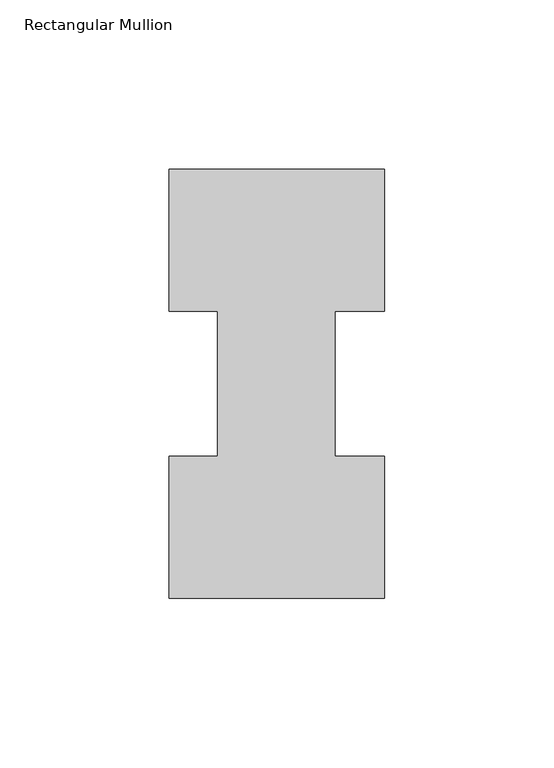
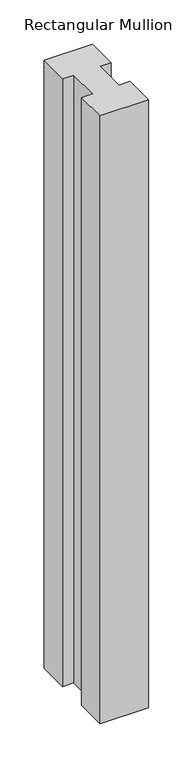
"""IFC4 building model written with IfcOpenShell, lengths in millimetres: member geometry, Rectangular Mullion."""

from ifc_helpers import new_model, si_unit, frame, origin, place, context, project, spatial, polyline, outline, extrude, source, transform, mapped, element, save


def rectangular_mullion_e0098903(model_context):
    return source(origin(), model_context, "Body", "SweptSolid", [
        extrude(outline(polyline([(-63.5, -0.0373062), (-63.5, 41.7837937), (-49.2125, 41.7837937), (-49.2125, 84.6335938), (-63.5, 84.6335938), (-63.5, 126.4546937), (0.0, 126.4546938), (0.0, 84.6335938), (-14.4999808, 84.6335938), (-14.4999808, 41.7837937), (0.0, 41.7837937), (0.0, -0.0373062), (-63.5, -0.0373062)])), frame((0.0, 0.0, -838.2), z_axis=(0.0, 0.0, 1.0), x_axis=(1.0, 0.0, 0.0)), (0.0, 0.0, 1.0), 838.2),
    ])


if __name__ == "__main__":
    model = new_model("IFC4")
    model_context = context("Model", 3, world=origin())
    ifc_project = project(units=[si_unit("LENGTHUNIT", "METRE", prefix="MILLI")], contexts=[model_context])
    site = spatial("IfcSite", under=ifc_project)
    building = spatial("IfcBuilding", under=site)
    placement = place(None, origin())
    rectangular_mullion_shape = rectangular_mullion_e0098903(model_context)
    element("IfcMember", 1, ObjectType="Rectangular Mullion", at=placement, inside=building, context=model_context, shape_type="MappedRepresentation", body=[
        mapped(rectangular_mullion_shape, transform((0.0, 0.0, 0.0), x_axis=(1.0, 0.0, 0.0), y_axis=(0.0, 1.0, 0.0), z_axis=(0.0, 0.0, 1.0))),
    ])
    save(model, "model.ifc")
